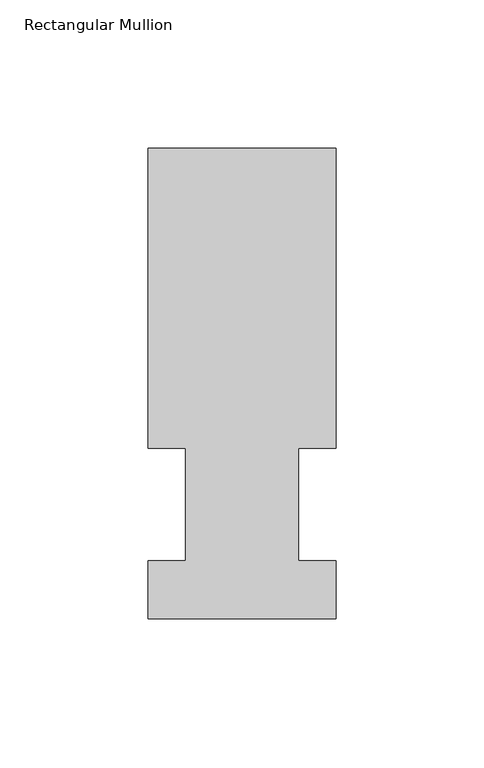
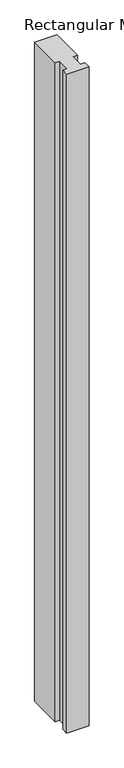
"""IFC4 building model written with IfcOpenShell, lengths in millimetres: member geometry, Rectangular Mullion."""

from ifc_helpers import new_model, si_unit, frame, origin, place, context, project, spatial, polyline, outline, extrude, source, transform, mapped, element, save


def rectangular_mullion_80092f64(model_context):
    return source(origin(), model_context, "Body", "SweptSolid", [
        extrude(outline(polyline([(-31.75, 57.6460938), (-31.75, 158.8396937), (31.75, 158.8396937), (31.75, 57.6460937), (19.05, 57.6460937), (19.05, 19.5460937), (31.75, 19.5460937), (31.75, 0.0134938), (-31.75, 0.0134938), (-31.75, 19.5460937), (-19.05, 19.5460937), (-19.05, 57.6460937), (-31.75, 57.6460938)])), frame((0.0, 0.0, -1993.9), z_axis=(0.0, 0.0, 1.0), x_axis=(1.0, 0.0, 0.0)), (0.0, 0.0, 1.0), 1993.9),
    ])


if __name__ == "__main__":
    model = new_model("IFC4")
    model_context = context("Model", 3, world=origin())
    ifc_project = project(units=[si_unit("LENGTHUNIT", "METRE", prefix="MILLI")], contexts=[model_context])
    site = spatial("IfcSite", under=ifc_project)
    building = spatial("IfcBuilding", under=site)
    placement = place(None, origin())
    rectangular_mullion_shape = rectangular_mullion_80092f64(model_context)
    element("IfcMember", 1, ObjectType="Rectangular Mullion", at=placement, inside=building, context=model_context, shape_type="MappedRepresentation", body=[
        mapped(rectangular_mullion_shape, transform((0.0, 0.0, 0.0), x_axis=(1.0, 0.0, 0.0), y_axis=(0.0, 1.0, 0.0), z_axis=(0.0, 0.0, 1.0))),
    ])
    save(model, "model.ifc")
